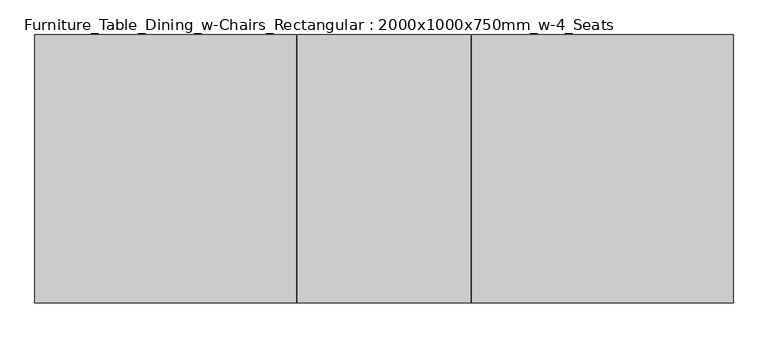
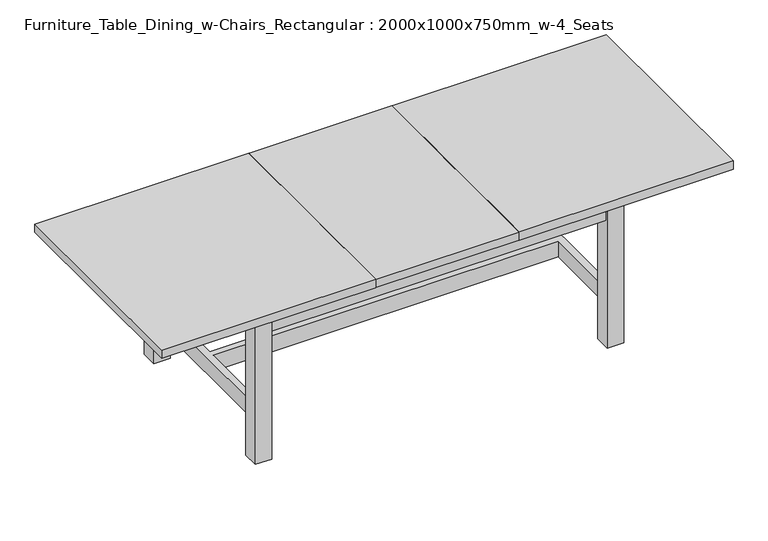
"""IFC4 building model written with IfcOpenShell, lengths in millimetres: furniture geometry, Furniture_Table_Dining_w-Chairs_Rectangular : 2000x1000x750mm_w-4_Seats."""

import ifcopenshell
import ifcopenshell.guid

model = None  # the IFC model being written
_history = None  # IfcOwnerHistory: only IFC2X3 demands one
_inside = {}  # id of a spatial element -> (the spatial element, [elements in it])
_under = {}  # id of a project, library or spatial element -> (it, [spatial elements below it])
_declared = {}  # id of a project -> (the project, [libraries it declares])
_typed = {}  # id of a type object -> (the type object, [elements of that type])
_made_of = {}  # id of a material, layer set ... -> (it, [elements and type objects made of it])


def new_model(schema):
    """Start an empty IFC model of exactly this schema.

    Asked for "IFC4X3", IfcOpenShell would pick the latest addendum, in which some entities
    have other attributes; the version numbers below select the first issue.
    IFC2X3 requires an IfcOwnerHistory on every rooted entity: one is made here for all.
    """
    global model, _history
    if schema == "IFC4X3":
        model = ifcopenshell.file(schema_version=(4, 3, 0, 0))
    else:
        model = ifcopenshell.file(schema=schema)
    _inside.clear()
    _under.clear()
    _declared.clear()
    _typed.clear()
    _made_of.clear()
    _history = None
    if model.schema == "IFC2X3":
        org = make("IfcOrganization", Name="unknown")
        user = make(
            "IfcPersonAndOrganization",
            ThePerson=make("IfcPerson", FamilyName="unknown"),
            TheOrganization=org,
        )
        app = make(
            "IfcApplication",
            ApplicationDeveloper=org,
            Version="unknown",
            ApplicationFullName="unknown",
            ApplicationIdentifier="unknown",
        )
        _history = make(
            "IfcOwnerHistory",
            OwningUser=user,
            OwningApplication=app,
            ChangeAction="ADDED",
            CreationDate=0,
        )
    return model


def make(cls, **values):
    """One entity of the class cls with the attributes given. An attribute that is None is left unset."""
    return model.create_entity(
        cls, **{name: value for name, value in values.items() if value is not None}
    )


def rooted(cls, **values):
    """An entity with a GlobalId (a new one), such as an element, a storey or a relation."""
    return make(cls, GlobalId=ifcopenshell.guid.new(), OwnerHistory=_history, **values)


def si_unit(unit_type, name, prefix=None):
    """IfcSIUnit, for example si_unit("LENGTHUNIT", "METRE", prefix="MILLI")."""
    return make("IfcSIUnit", UnitType=unit_type, Prefix=prefix, Name=name)


def assignment(units):
    """IfcUnitAssignment: the units of a project."""
    return None if units is None else make("IfcUnitAssignment", Units=units)


def point(xyz):
    """IfcCartesianPoint."""
    return None if xyz is None else make("IfcCartesianPoint", Coordinates=xyz)


def direction(xyz):
    """IfcDirection."""
    return None if xyz is None else make("IfcDirection", DirectionRatios=xyz)


def frame(location, z_axis=None, x_axis=None):
    """IfcAxis2Placement3D, a coordinate frame: its origin and axes. An axis left out is left unset."""
    return make(
        "IfcAxis2Placement3D",
        Location=point(location),
        Axis=direction(z_axis),
        RefDirection=direction(x_axis),
    )


def origin():
    """The frame at (0, 0, 0) with its axes left unset."""
    return frame((0.0, 0.0, 0.0))


def origin_with_axes():
    """The frame at (0, 0, 0) with the z axis (0, 0, 1) and the x axis (1, 0, 0) written out."""
    return frame((0.0, 0.0, 0.0), z_axis=(0.0, 0.0, 1.0), x_axis=(1.0, 0.0, 0.0))


def place(relative_to, where):
    """IfcLocalPlacement: puts the frame where relative to a parent placement (None: the world)."""
    return make(
        "IfcLocalPlacement", PlacementRelTo=relative_to, RelativePlacement=where
    )


def context(
    kind, dimensions, precision=None, world=None, true_north=None, identifier=None
):
    """IfcGeometricRepresentationContext, for example the 3D "Model" context."""
    return make(
        "IfcGeometricRepresentationContext",
        ContextIdentifier=identifier,
        ContextType=kind,
        CoordinateSpaceDimension=dimensions,
        Precision=precision,
        WorldCoordinateSystem=world,
        TrueNorth=true_north,
    )


def project(units=None, contexts=None):
    """IfcProject with its units and contexts."""
    return rooted(
        "IfcProject",
        Name="project",
        RepresentationContexts=contexts,
        UnitsInContext=assignment(units),
    )


def spatial(cls, under=None, at=None, **own):
    """A site, building, storey or space (cls), placed at a placement, below another one or the project."""
    s = rooted(cls, ObjectPlacement=at, **own)
    if under is not None:
        _under.setdefault(under.id(), (under, []))[1].append(s)
    return s


def polyline(points):
    """IfcPolyline through the points."""
    return make("IfcPolyline", Points=[point(p) for p in points])


def outline(outer, holes=None, kind="AREA"):
    """IfcArbitraryClosedProfileDef: a profile drawn as a closed curve; with holes, ...WithVoids."""
    if holes is None:
        return make("IfcArbitraryClosedProfileDef", ProfileType=kind, OuterCurve=outer)
    return make(
        "IfcArbitraryProfileDefWithVoids",
        ProfileType=kind,
        OuterCurve=outer,
        InnerCurves=holes,
    )


def extrude(swept, where, along, depth):
    """IfcExtrudedAreaSolid: the profile swept, set in the frame where, extruded along a direction by depth."""
    return make(
        "IfcExtrudedAreaSolid",
        SweptArea=swept,
        Position=where,
        ExtrudedDirection=direction(along),
        Depth=depth,
    )


def faces_of(points, faces, orient=None, outer=None):
    """IfcFace entities. A face is a list of loops; a loop is a list of indices into points, from 0.

    orient and outer hold one flag for each loop. By default every Orientation is true, the
    first loop of a face is its IfcFaceOuterBound and the others are IfcFaceBound.
    """
    made = []
    for i, loops in enumerate(faces):
        bounds = []
        for j, loop in enumerate(loops):
            is_outer = j == 0 if outer is None else outer[i][j]
            bounds.append(
                make(
                    "IfcFaceOuterBound" if is_outer else "IfcFaceBound",
                    Bound=make("IfcPolyLoop", Polygon=[points[k] for k in loop]),
                    Orientation=True if orient is None else orient[i][j],
                )
            )
        made.append(make("IfcFace", Bounds=bounds))
    return made


def faceted_brep(points, faces, orient=None, outer=None, voids=None):
    """IfcFacetedBrep: a solid bounded by flat faces; with voids (closed shells), ...WithVoids."""
    shared = [point(p) for p in points]
    hull = make("IfcClosedShell", CfsFaces=faces_of(shared, faces, orient, outer))
    if voids is None:
        return make("IfcFacetedBrep", Outer=hull)
    return make(
        "IfcFacetedBrepWithVoids",
        Outer=hull,
        Voids=[
            make(cls, CfsFaces=faces_of(shared, fs, o, b)) for cls, fs, o, b in voids
        ],
    )


def shape(context_of_items, identifier, shape_type, items):
    """IfcShapeRepresentation: the items that make up one representation, for example the "Body"."""
    return make(
        "IfcShapeRepresentation",
        ContextOfItems=context_of_items,
        RepresentationIdentifier=identifier,
        RepresentationType=shape_type,
        Items=items,
    )


def source(mapping_origin, context_of_items, identifier, shape_type, items):
    """IfcRepresentationMap: a shape defined once, which mapped items show again and again."""
    return make(
        "IfcRepresentationMap",
        MappingOrigin=mapping_origin,
        MappedRepresentation=shape(context_of_items, identifier, shape_type, items),
    )


def transform(
    local_origin,
    x_axis=None,
    y_axis=None,
    z_axis=None,
    scale=None,
    scale2=None,
    scale3=None,
    uniform=True,
):
    """IfcCartesianTransformationOperator3D, or its non-uniform kind. x_axis, y_axis, z_axis: its Axis1, 2, 3."""
    if uniform:
        return make(
            "IfcCartesianTransformationOperator3D",
            Axis1=direction(x_axis),
            Axis2=direction(y_axis),
            LocalOrigin=point(local_origin),
            Scale=scale,
            Axis3=direction(z_axis),
        )
    return make(
        "IfcCartesianTransformationOperator3DnonUniform",
        Axis1=direction(x_axis),
        Axis2=direction(y_axis),
        LocalOrigin=point(local_origin),
        Scale=scale,
        Axis3=direction(z_axis),
        Scale2=scale2,
        Scale3=scale3,
    )


def mapped(mapping_source, mapping_target):
    """IfcMappedItem: shows the shape of a source again, moved by a transform."""
    return make(
        "IfcMappedItem", MappingSource=mapping_source, MappingTarget=mapping_target
    )


def made_of(thing, what):
    """Note that an element or type object is made of a material, layer set ...; save() writes the relation."""
    if what is not None:
        _made_of.setdefault(what.id(), (what, []))[1].append(thing)
    return thing


def element(
    cls,
    number,
    at=None,
    inside=None,
    cuts=None,
    type_object=None,
    material=None,
    context=None,
    identifier="Body",
    shape_type=None,
    held_by="IfcProductDefinitionShape",
    body=None,
    shapes=None,
    **own,
):
    """One element of the class cls, such as IfcWall. Its Tag is "e" and its number.

    at: its placement. inside: the storey or other place that contains it. cuts: it is an
    opening in that element (IfcRelVoidsElement). A single representation is given by context,
    identifier, shape_type and body (its items); several are given by shapes. held_by: the class
    of the entity that holds the representations. save() writes the other relations.
    """
    e = rooted(cls, Tag="e%d" % number, ObjectPlacement=at, **own)
    if body is not None:
        shapes = [shape(context, identifier, shape_type, body)]
    if shapes is not None:
        e.Representation = make(held_by, Representations=shapes)
    if inside is not None:
        _inside.setdefault(inside.id(), (inside, []))[1].append(e)
    if cuts is not None:
        rooted(
            "IfcRelVoidsElement", RelatingBuildingElement=cuts, RelatedOpeningElement=e
        )
    if type_object is not None:
        _typed.setdefault(type_object.id(), (type_object, []))[1].append(e)
    return made_of(e, material)


def aggregate(whole, parts):
    """IfcRelAggregates: a whole, such as a stair, and the parts it consists of."""
    return rooted("IfcRelAggregates", RelatingObject=whole, RelatedObjects=parts)


def save(model, path):
    """Write the relations noted so far, then the file.

    IfcRelAggregates (storeys below a building ...), IfcRelContainedInSpatialStructure (elements
    in a storey), IfcRelDefinesByType, IfcRelAssociatesMaterial and IfcRelDeclares: one each for
    every whole, place, type object, material and project.
    """
    for whole, parts in _under.values():
        aggregate(whole, parts)
    for where, things in _inside.values():
        rooted(
            "IfcRelContainedInSpatialStructure",
            RelatedElements=things,
            RelatingStructure=where,
        )
    for kind, things in _typed.values():
        rooted("IfcRelDefinesByType", RelatedObjects=things, RelatingType=kind)
    for what, things in _made_of.values():
        rooted("IfcRelAssociatesMaterial", RelatedObjects=things, RelatingMaterial=what)
    for by, libraries in _declared.values():
        rooted("IfcRelDeclares", RelatingContext=by, RelatedDefinitions=libraries)
    model.write(path)


def furniture_table_dining_w_chairs_rectangular_2000x1000x750mm_ba617580(model_context):
    return source(origin(), model_context, "Body", "SolidModel", [
        extrude(outline(polyline([(-644.3212781, 474.3546292), (880.6787219, 474.3546292), (880.6787219, 454.3546292), (-644.3212781, 454.3546292), (-644.3212781, 474.3546292)])), frame((0.0, 0.0, 610.0), z_axis=(0.0, 0.0, 1.0), x_axis=(1.0, 0.0, 0.0)), (0.0, 0.0, 1.0), 100.0),
        extrude(outline(polyline([(-711.8212781, -318.1453708), (-711.8212781, 406.8546292), (-691.8212781, 406.8546292), (-691.8212781, -318.1453708), (-711.8212781, -318.1453708)])), frame((0.0, 0.0, 610.0), z_axis=(0.0, 0.0, 1.0), x_axis=(1.0, 0.0, 0.0)), (0.0, 0.0, 1.0), 100.0),
        extrude(outline(polyline([(880.6787219, -385.6453708), (-644.3212781, -385.6453708), (-644.3212781, -365.6453708), (880.6787219, -365.6453708), (880.6787219, -385.6453708)])), frame((0.0, 0.0, 610.0), z_axis=(0.0, 0.0, 1.0), x_axis=(1.0, 0.0, 0.0)), (0.0, 0.0, 1.0), 100.0),
        extrude(outline(polyline([(948.1787219, 406.8546292), (948.1787219, -318.1453708), (928.1787219, -318.1453708), (928.1787219, 406.8546292), (948.1787219, 406.8546292)])), frame((0.0, 0.0, 610.0), z_axis=(0.0, 0.0, 1.0), x_axis=(1.0, 0.0, 0.0)), (0.0, 0.0, 1.0), 100.0),
        extrude(outline(polyline([(-666.8212781, -318.1453708), (-696.8212781, -318.1453708), (-696.8212781, 406.8546292), (-666.8212781, 406.8546292), (-666.8212781, 59.3546292), (903.1787219, 59.3546292), (903.1787219, 406.8546292), (933.1787219, 406.8546292), (933.1787219, -318.1453708), (903.1787219, -318.1453708), (903.1787219, 29.3546292), (-666.8212781, 29.3546292), (-666.8212781, -318.1453708)])), frame((0.0, 0.0, 175.0), z_axis=(0.0, 0.0, 1.0), x_axis=(1.0, 0.0, 0.0)), (0.0, 0.0, 1.0), 75.0),
        extrude(outline(polyline([(-644.3212781, -393.1453708), (-719.3212781, -393.1453708), (-719.3212781, -318.1453708), (-644.3212781, -318.1453708), (-644.3212781, -393.1453708)])), origin_with_axes(), (0.0, 0.0, 1.0), 710.0),
        extrude(outline(polyline([(880.6787219, 481.8546292), (955.6787219, 481.8546292), (955.6787219, 406.8546292), (880.6787219, 406.8546292), (880.6787219, 481.8546292)])), origin_with_axes(), (0.0, 0.0, 1.0), 710.0),
        extrude(outline(polyline([(880.6787219, -318.1453708), (955.6787219, -318.1453708), (955.6787219, -393.1453708), (880.6787219, -393.1453708), (880.6787219, -318.1453708)])), origin_with_axes(), (0.0, 0.0, 1.0), 710.0),
        extrude(outline(polyline([(-644.3212781, 481.8546292), (-644.3212781, 406.8546292), (-719.3212781, 406.8546292), (-719.3212781, 481.8546292), (-644.3212781, 481.8546292)])), origin_with_axes(), (0.0, 0.0, 1.0), 710.0),
        faceted_brep([(1418.1787219, -455.6453708, 750.0), (1418.1787219, 544.3546292, 750.0), (444.6787219, 544.3546292, 750.0), (444.6787219, -455.6453708, 750.0), (-1181.8212781, 544.3546292, 750.0), (-1181.8212781, -455.6453708, 750.0), (-208.3212781, -455.6453708, 750.0), (-208.3212781, 544.3546292, 750.0), (441.6787219, 544.3546292, 750.0), (-205.3212781, 544.3546292, 750.0), (-205.3212781, -455.6453708, 750.0), (441.6787219, -455.6453708, 750.0), (-1181.8212781, -455.6453708, 710.0), (-1181.8212781, 544.3546292, 710.0), (-208.3212781, 544.3546292, 710.0), (-206.8212781, 542.8546292, 710.0), (-205.3212781, 544.3546292, 710.0), (441.6787219, 544.3546292, 710.0), (443.1787219, 542.8546292, 710.0), (444.6787219, 544.3546292, 710.0), (1418.1787219, 544.3546292, 710.0), (1418.1787219, -455.6453708, 710.0), (444.6787219, -455.6453708, 710.0), (443.1787219, -454.1453708, 710.0), (441.6787219, -455.6453708, 710.0), (-205.3212781, -455.6453708, 710.0), (-206.8212781, -454.1453708, 710.0), (-208.3212781, -455.6453708, 710.0), (-206.8212781, 542.8546292, 748.5), (443.1787219, 542.8546292, 748.5), (-206.8212781, -454.1453708, 748.5), (443.1787219, -454.1453708, 748.5)], [[[0, 1, 2, 3]], [[4, 5, 6, 7]], [[8, 9, 10, 11]], [[12, 13, 14, 15, 16, 17, 18, 19, 20, 21, 22, 23, 24, 25, 26, 27]], [[1, 0, 21, 20]], [[9, 8, 17, 16]], [[1, 20, 19, 2]], [[13, 4, 7, 14]], [[5, 4, 13, 12]], [[11, 10, 25, 24]], [[21, 0, 3, 22]], [[5, 12, 27, 6]], [[15, 28, 9, 16]], [[28, 15, 14, 7]], [[18, 29, 2, 19]], [[29, 18, 17, 8]], [[9, 28, 30, 10]], [[28, 7, 6, 30]], [[2, 29, 31, 3]], [[29, 8, 11, 31]], [[10, 30, 26, 25]], [[30, 6, 27, 26]], [[3, 31, 23, 22]], [[31, 11, 24, 23]]]),
    ])


if __name__ == "__main__":
    model = new_model("IFC4")
    model_context = context("Model", 3, world=origin())
    ifc_project = project(units=[si_unit("LENGTHUNIT", "METRE", prefix="MILLI")], contexts=[model_context])
    site = spatial("IfcSite", under=ifc_project)
    building = spatial("IfcBuilding", under=site)
    placement = place(None, origin())
    furniture_table_dining_w_chairs_rectangular_2000x1000x750mm_shape = furniture_table_dining_w_chairs_rectangular_2000x1000x750mm_ba617580(model_context)
    element("IfcFurniture", 1, ObjectType="Furniture_Table_Dining_w-Chairs_Rectangular : 2000x1000x750mm_w-4_Seats", at=placement, inside=building, context=model_context, shape_type="MappedRepresentation", body=[
        mapped(furniture_table_dining_w_chairs_rectangular_2000x1000x750mm_shape, transform((0.0, 0.0, 0.0), x_axis=(1.0, 0.0, 0.0), y_axis=(0.0, 1.0, 0.0), z_axis=(0.0, 0.0, 1.0))),
    ])
    save(model, "model.ifc")
